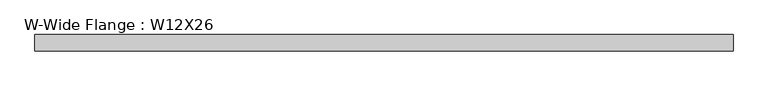
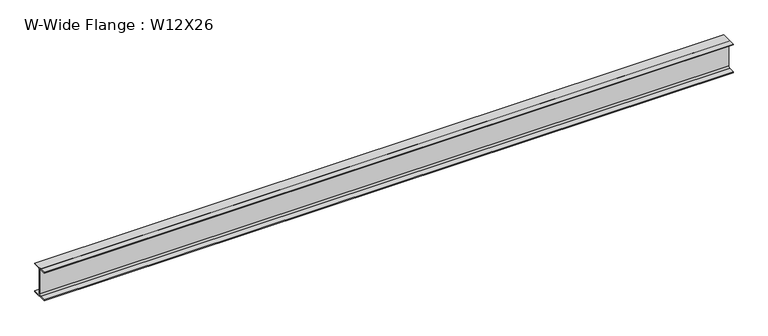
"""IFC4 building model written with IfcOpenShell, lengths in millimetres: beam geometry, W-Wide Flange : W12X26."""

from ifc_helpers import new_model, si_unit, point, frame, frame_2d, origin, place, context, project, spatial, polyline, circle_curve, trimmed, segment, composite_curve, outline, extrude, source, transform, mapped, element, save


def w_wide_flange_w12x26_8269c123(model_context):
    return source(origin(), model_context, "Body", "SweptSolid", [
        extrude(outline(composite_curve([segment(polyline([(82.4011719, -145.5539063), (82.4011719, -155.178125), (-82.4011719, -155.178125), (-82.4011719, -145.5539063), (-20.2902344, -145.5539063)]), True, "CONTINUOUS"), segment(trimmed(circle_curve(frame_2d((-20.2902344, -128.190625)), 17.3632812), [point((-20.2902344, -145.5539063))], [point((-2.9269531, -128.190625))], True, "CARTESIAN"), True, "CONTINUOUS"), segment(polyline([(-2.9269531, -128.190625), (-2.9269531, 128.190625)]), True, "CONTINUOUS"), segment(trimmed(circle_curve(frame_2d((-20.2902344, 128.190625)), 17.3632812), [point((-2.9269531, 128.190625))], [point((-20.2902344, 145.5539062))], True, "CARTESIAN"), True, "CONTINUOUS"), segment(polyline([(-20.2902344, 145.5539062), (-82.4011719, 145.5539062), (-82.4011719, 155.178125), (82.4011719, 155.178125), (82.4011719, 145.5539062), (20.2902344, 145.5539062)]), True, "CONTINUOUS"), segment(trimmed(circle_curve(frame_2d((20.2902344, 128.190625)), 17.3632812), [point((20.2902344, 145.5539062))], [point((2.9269531, 128.190625))], True, "CARTESIAN"), True, "CONTINUOUS"), segment(polyline([(2.9269531, 128.190625), (2.9269531, -128.190625)]), True, "CONTINUOUS"), segment(trimmed(circle_curve(frame_2d((20.2902344, -128.190625)), 17.3632812), [point((2.9269531, -128.190625))], [point((20.2902344, -145.5539063))], True, "CARTESIAN"), True, "CONTINUOUS"), segment(polyline([(20.2902344, -145.5539063), (82.4011719, -145.5539063)]), True, "CONTINUOUS")], self_intersect=False)), frame((-3549.253125, 0.0, 0.0), z_axis=(1.0, 0.0, 0.0), x_axis=(0.0, 1.0, 0.0)), (0.0, 0.0, 1.0), 7098.50625),
    ])


if __name__ == "__main__":
    model = new_model("IFC4")
    model_context = context("Model", 3, world=origin())
    ifc_project = project(units=[si_unit("LENGTHUNIT", "METRE", prefix="MILLI")], contexts=[model_context])
    site = spatial("IfcSite", under=ifc_project)
    building = spatial("IfcBuilding", under=site)
    placement = place(None, origin())
    w_wide_flange_w12x26_shape = w_wide_flange_w12x26_8269c123(model_context)
    element("IfcBeam", 1, ObjectType="W-Wide Flange : W12X26", at=placement, inside=building, context=model_context, shape_type="MappedRepresentation", body=[
        mapped(w_wide_flange_w12x26_shape, transform((0.0, 0.0, 0.0), x_axis=(1.0, 0.0, 0.0), y_axis=(0.0, 1.0, 0.0), z_axis=(0.0, 0.0, 1.0))),
    ])
    save(model, "model.ifc")
